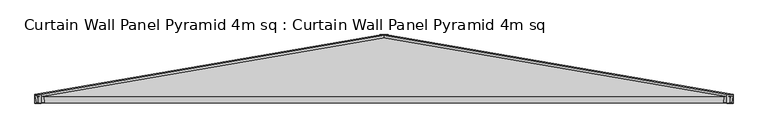
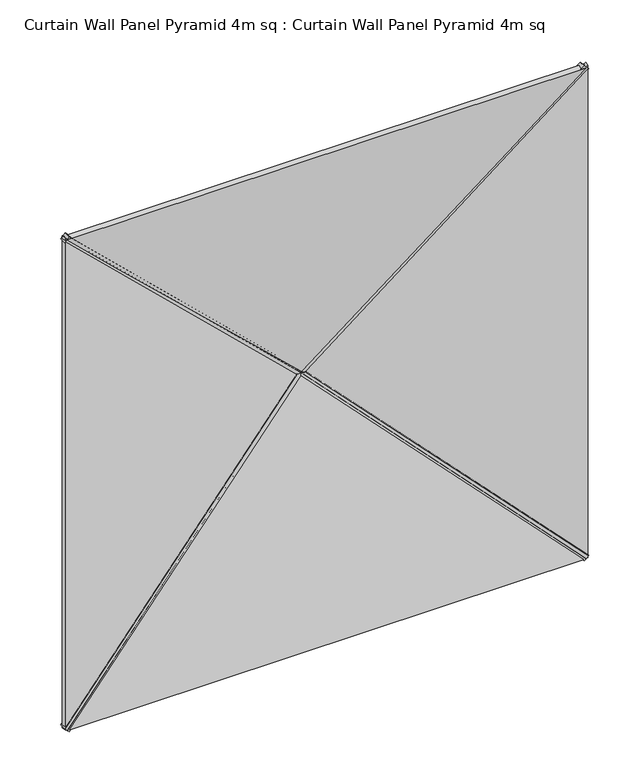
"""IFC4 building model written with IfcOpenShell, lengths in millimetres: plate geometry, Curtain Wall Panel Pyramid 4m sq : Curtain Wall Panel Pyramid 4m sq."""

from ifc_helpers import new_model, si_unit, frame, origin, place, context, project, spatial, polyline, outline, extrude, source, transform, mapped, element, save


def curtain_wall_panel_pyramid_4m_sq_curtain_wall_panel_pyramid_e4893c0e(model_context):
    return source(origin(), model_context, "Body", "SweptSolid", [
        extrude(outline(polyline([(-25.0, 0.0), (25.0, 0.0), (-319.5008531, -2828.2124727), (-369.5008531, -2828.2124727), (-25.0, 0.0)])), frame((1974.8223305, 25.0, -17.6776695), z_axis=(0.7071067811865489, 0.0, 0.7071067811865462), x_axis=(0.0, -1.0, 0.0)), (0.0, 0.0, 1.0), 50.0),
        extrude(outline(polyline([(-25.0, 0.0), (25.0, 0.0), (369.5008531, -2828.2124727), (319.5008531, -2828.2124727), (-25.0, 0.0)])), frame((-1974.8223305, 25.0, -17.6776695), z_axis=(-0.7071067811865476, 0.0, 0.7071067811865476), x_axis=(0.0, 1.0, 0.0)), (0.0, 0.0, 1.0), 50.0),
        extrude(outline(polyline([(-25.0, 0.0), (25.0, 0.0), (369.5008531, -2828.2124727), (319.5008531, -2828.2124727), (-25.0, 0.0)])), frame((-2010.1776695, 25.0, 3957.3223305), z_axis=(0.7071067811865487, 0.0, 0.7071067811865464), x_axis=(0.0, 1.0, 0.0)), (0.0, 0.0, 1.0), 50.0),
        extrude(outline(polyline([(-25.0, 0.0), (25.0, 0.0), (-319.5008531, -2828.2124727), (-369.5008531, -2828.2124727), (-25.0, 0.0)])), frame((2010.1776695, 25.0, 3957.3223305), z_axis=(-0.7071067811865472, 0.0, 0.7071067811865479), x_axis=(0.0, -1.0, 0.0)), (0.0, 0.0, 1.0), 50.0),
        extrude(outline(polyline([(1993.2098768, -1014.7271131), (-2.1709376, 1016.8143409), (3988.5906912, 1016.8143409), (1993.2098768, -1014.7271131)])), frame((1000.0, 172.8335872, 0.0), z_axis=(0.16975307948003834, 0.9854866270056859, 0.0), x_axis=(0.0, 0.0, 1.0)), (0.0, 0.0, 1.0), 40.0),
        extrude(outline(polyline([(0.0, -1014.7271131), (-1991.3928218, 1012.7540773), (1991.3928218, 1012.7540773), (0.0, -1014.7271131)])), frame((0.0, 212.2530523, 986.4197536), z_axis=(0.0, -0.9854866270056859, 0.16975307948003834), x_axis=(-1.0, 0.0, 0.0)), (0.0, 0.0, 1.0), 40.0),
        extrude(outline(polyline([(1993.2098768, 1014.7271131), (3986.6374086, -1014.8256606), (-0.217655, -1014.8256606), (1993.2098768, 1014.7271131)])), frame((-1000.0, 172.8335872, 0.0), z_axis=(-0.16975307948003834, 0.9854866270056859, 0.0), x_axis=(0.0, 0.0, 1.0)), (0.0, 0.0, 1.0), 40.0),
        extrude(outline(polyline([(1996.304868, -1017.8221042), (-1996.2959025, -1017.8221042), (2.4233431, 976.0594205), (1996.304868, -1017.8221042)])), frame((0.0, 172.8335872, 2968.2098768), z_axis=(0.0, 0.9854866270056859, 0.16975307948003832), x_axis=(1.0, 0.0, 0.0)), (0.0, 0.0, 1.0), 40.0),
    ])


if __name__ == "__main__":
    model = new_model("IFC4")
    model_context = context("Model", 3, world=origin())
    ifc_project = project(units=[si_unit("LENGTHUNIT", "METRE", prefix="MILLI")], contexts=[model_context])
    site = spatial("IfcSite", under=ifc_project)
    building = spatial("IfcBuilding", under=site)
    placement = place(None, origin())
    curtain_wall_panel_pyramid_4m_sq_curtain_wall_panel_pyramid_shape = curtain_wall_panel_pyramid_4m_sq_curtain_wall_panel_pyramid_e4893c0e(model_context)
    element("IfcPlate", 1, ObjectType="Curtain Wall Panel Pyramid 4m sq : Curtain Wall Panel Pyramid 4m sq", at=placement, inside=building, context=model_context, shape_type="MappedRepresentation", body=[
        mapped(curtain_wall_panel_pyramid_4m_sq_curtain_wall_panel_pyramid_shape, transform((0.0, 0.0, 0.0), x_axis=(1.0, 0.0, 0.0), y_axis=(0.0, 1.0, 0.0), z_axis=(0.0, 0.0, 1.0))),
    ])
    save(model, "model.ifc")
